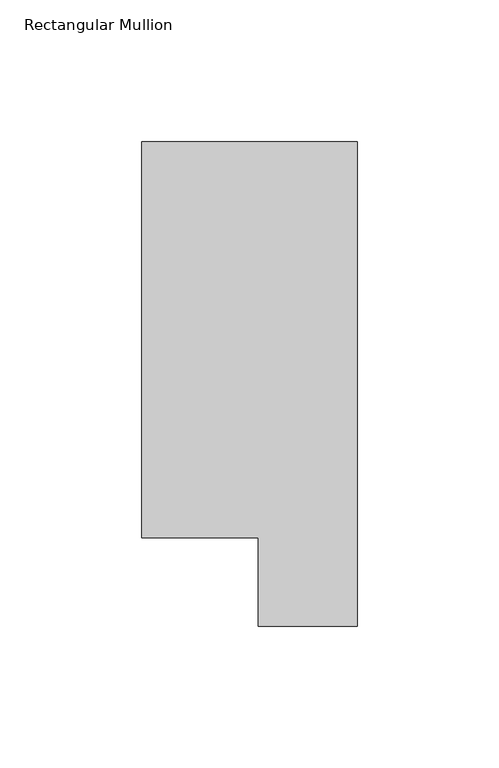
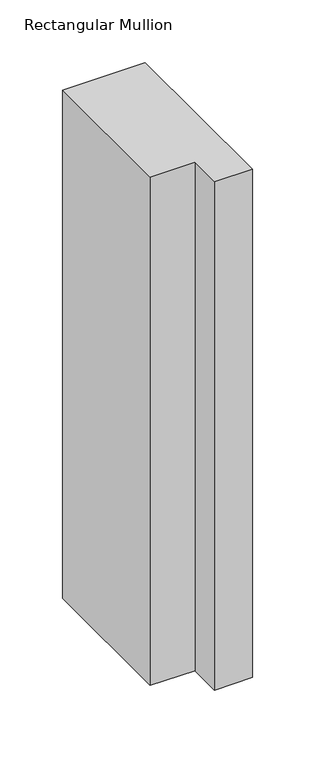
"""IFC4 building model written with IfcOpenShell, lengths in millimetres: member geometry, Rectangular Mullion."""

from ifc_helpers import new_model, si_unit, frame, origin, place, context, project, spatial, polyline, outline, extrude, source, transform, mapped, element, save


def rectangular_mullion_d753ca49(model_context):
    return source(origin(), model_context, "Body", "SweptSolid", [
        extrude(outline(polyline([(-76.2, 190.7881317), (0.0, 190.7881317), (0.0, 19.5667317), (-34.9123, 19.5667317), (-34.9123, 50.8087306), (-76.2, 50.8087306), (-76.2, 190.7881317)])), frame((0.0, 0.0, -495.6218524), z_axis=(0.0, 0.0, 1.0), x_axis=(1.0, 0.0, 0.0)), (0.0, 0.0, 1.0), 495.6218524),
    ])


if __name__ == "__main__":
    model = new_model("IFC4")
    model_context = context("Model", 3, world=origin())
    ifc_project = project(units=[si_unit("LENGTHUNIT", "METRE", prefix="MILLI")], contexts=[model_context])
    site = spatial("IfcSite", under=ifc_project)
    building = spatial("IfcBuilding", under=site)
    placement = place(None, origin())
    rectangular_mullion_shape = rectangular_mullion_d753ca49(model_context)
    element("IfcMember", 1, ObjectType="Rectangular Mullion", at=placement, inside=building, context=model_context, shape_type="MappedRepresentation", body=[
        mapped(rectangular_mullion_shape, transform((0.0, 0.0, 0.0), x_axis=(1.0, 0.0, 0.0), y_axis=(0.0, 1.0, 0.0), z_axis=(0.0, 0.0, 1.0))),
    ])
    save(model, "model.ifc")
